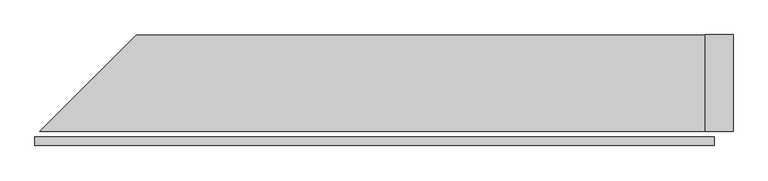
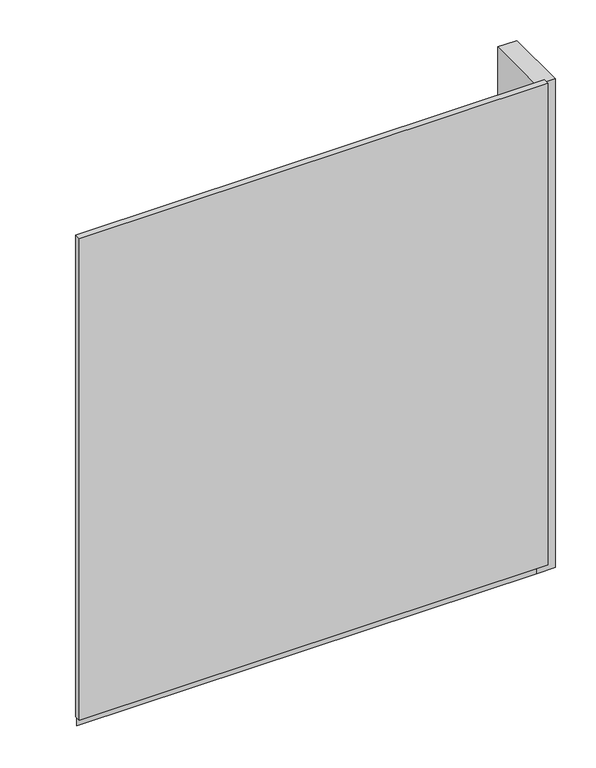
"""IFC4 building model written with IfcOpenShell, lengths in millimetres: plate geometry."""

from ifc_helpers import new_model, si_unit, frame, origin, origin_with_axes, place, context, project, spatial, polyline, outline, extrude, source, transform, mapped, element, save


def plate_766efa77(model_context):
    return source(origin(), model_context, "Body", "SweptSolid", [
        extrude(outline(polyline([(981.5, 0.0), (-981.5, 0.0), (-981.5, 25.0), (981.5, 25.0), (981.5, 0.0)])), origin_with_axes(), (0.0, 0.0, 1.0), 2132.0),
        extrude(outline(polyline([(956.5, 321.0), (956.5, 41.0), (-967.9314575, 41.0), (-687.9314575, 321.0), (956.5, 321.0)])), frame((0.0, 0.0, -55.0), z_axis=(0.0, 0.0, 1.0), x_axis=(1.0, 0.0, 0.0)), (0.0, 0.0, 1.0), 80.0),
        extrude(outline(polyline([(1036.5, 41.0), (956.5, 41.0), (956.5, 321.0), (1036.5, 321.0), (1036.5, 41.0)])), frame((0.0, 0.0, -55.0), z_axis=(0.0, 0.0, 1.0), x_axis=(1.0, 0.0, 0.0)), (0.0, 0.0, 1.0), 2162.0),
    ])


if __name__ == "__main__":
    model = new_model("IFC4")
    model_context = context("Model", 3, world=origin())
    ifc_project = project(units=[si_unit("LENGTHUNIT", "METRE", prefix="MILLI")], contexts=[model_context])
    site = spatial("IfcSite", under=ifc_project)
    building = spatial("IfcBuilding", under=site)
    placement = place(None, origin())
    plate_shape = plate_766efa77(model_context)
    element("IfcPlate", 1, at=placement, inside=building, context=model_context, shape_type="MappedRepresentation", body=[
        mapped(plate_shape, transform((0.0, 0.0, 0.0), x_axis=(1.0, 0.0, 0.0), y_axis=(0.0, 1.0, 0.0), z_axis=(0.0, 0.0, 1.0))),
    ])
    save(model, "model.ifc")
